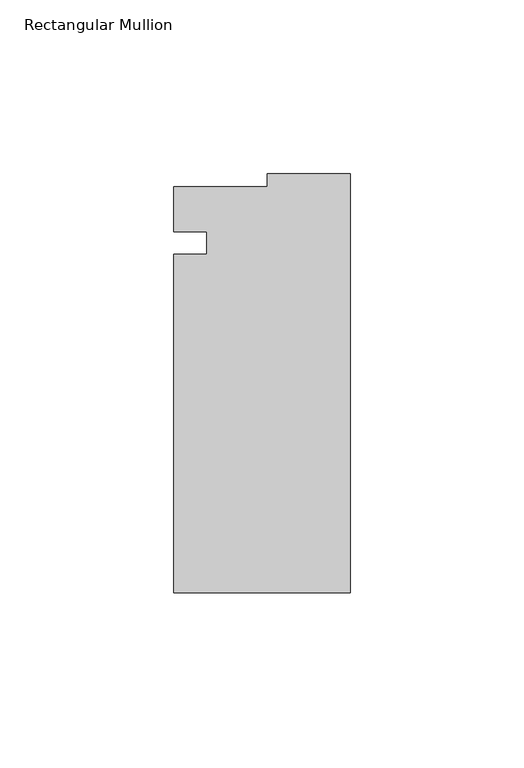
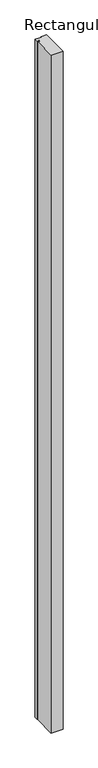
"""IFC4 building model written with IfcOpenShell, lengths in millimetres: member geometry, Rectangular Mullion."""

from ifc_helpers import new_model, si_unit, frame, origin, place, context, project, spatial, polyline, outline, extrude, source, transform, mapped, element, save


def rectangular_mullion_30617ba0(model_context):
    return source(origin(), model_context, "Body", "SweptSolid", [
        extrude(outline(polyline([(-50.8, 43.5404138), (-50.8, 56.53532), (-23.7756192, 56.53532), (-23.7756192, 60.325), (0.0, 60.325), (0.0, -60.325), (-50.8, -60.325), (-50.8, 37.1001754), (-41.275, 37.1001754), (-41.275, 43.5404138), (-50.8, 43.5404138)])), frame((0.0, 0.0, -3048.0), z_axis=(0.0, 0.0, 1.0), x_axis=(1.0, 0.0, 0.0)), (0.0, 0.0, 1.0), 3048.0),
    ])


if __name__ == "__main__":
    model = new_model("IFC4")
    model_context = context("Model", 3, world=origin())
    ifc_project = project(units=[si_unit("LENGTHUNIT", "METRE", prefix="MILLI")], contexts=[model_context])
    site = spatial("IfcSite", under=ifc_project)
    building = spatial("IfcBuilding", under=site)
    placement = place(None, origin())
    rectangular_mullion_shape = rectangular_mullion_30617ba0(model_context)
    element("IfcMember", 1, ObjectType="Rectangular Mullion", at=placement, inside=building, context=model_context, shape_type="MappedRepresentation", body=[
        mapped(rectangular_mullion_shape, transform((0.0, 0.0, 0.0), x_axis=(1.0, 0.0, 0.0), y_axis=(0.0, 1.0, 0.0), z_axis=(0.0, 0.0, 1.0))),
    ])
    save(model, "model.ifc")
